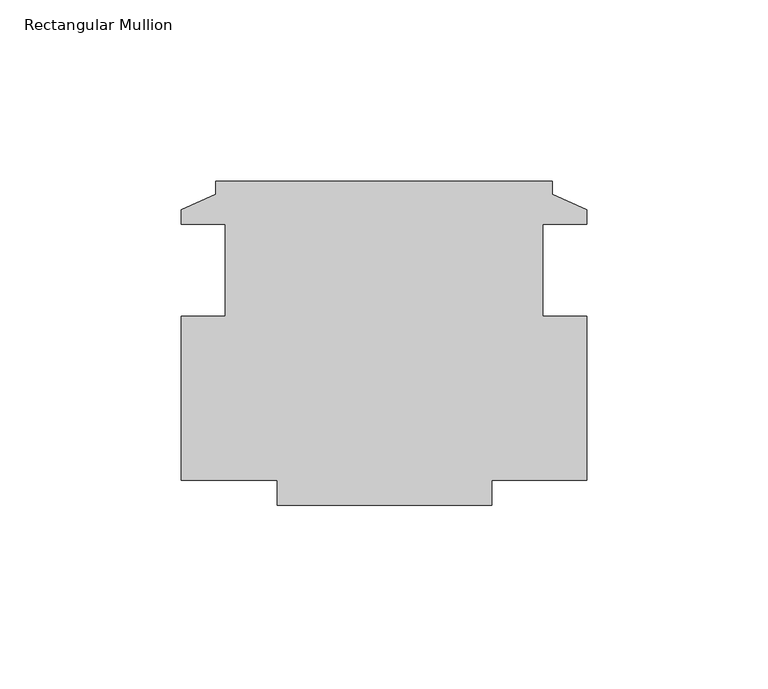
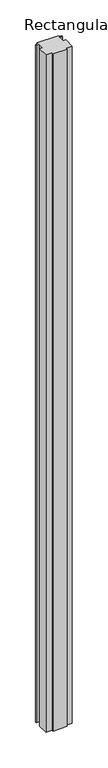
"""IFC4 building model written with IfcOpenShell, lengths in millimetres: member geometry, Rectangular Mullion."""

from ifc_helpers import new_model, si_unit, frame, origin, place, context, project, spatial, polyline, outline, extrude, source, transform, mapped, element, save


def rectangular_mullion_b12a710d(model_context):
    return source(origin(), model_context, "Body", "SweptSolid", [
        extrude(outline(polyline([(-9.525, 47.5584251), (-9.525, 43.9516251), (0.0, 39.6336251), (0.0, 35.7220251), (-12.2174, 35.7220251), (-12.2174, 10.3220251), (0.0, 10.3220251), (0.0, -34.9915749), (-26.289, -34.9915749), (-26.289, -41.9003749), (-85.4176536, -41.9003749), (-85.4176536, -34.9915749), (-111.9124, -34.9915749), (-111.9124, 10.3220251), (-99.695, 10.3220251), (-99.695, 35.7220251), (-111.9124, 35.7220251), (-111.9124, 39.6336251), (-102.3874, 43.9516251), (-102.3874, 47.5584251), (-9.525, 47.5584251)])), frame((0.0, 0.0, -3048.0), z_axis=(0.0, 0.0, 1.0), x_axis=(1.0, 0.0, 0.0)), (0.0, 0.0, 1.0), 3048.0),
    ])


if __name__ == "__main__":
    model = new_model("IFC4")
    model_context = context("Model", 3, world=origin())
    ifc_project = project(units=[si_unit("LENGTHUNIT", "METRE", prefix="MILLI")], contexts=[model_context])
    site = spatial("IfcSite", under=ifc_project)
    building = spatial("IfcBuilding", under=site)
    placement = place(None, origin())
    rectangular_mullion_shape = rectangular_mullion_b12a710d(model_context)
    element("IfcMember", 1, ObjectType="Rectangular Mullion", at=placement, inside=building, context=model_context, shape_type="MappedRepresentation", body=[
        mapped(rectangular_mullion_shape, transform((0.0, 0.0, 0.0), x_axis=(1.0, 0.0, 0.0), y_axis=(0.0, 1.0, 0.0), z_axis=(0.0, 0.0, 1.0))),
    ])
    save(model, "model.ifc")
